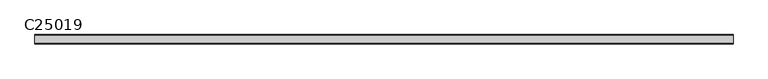
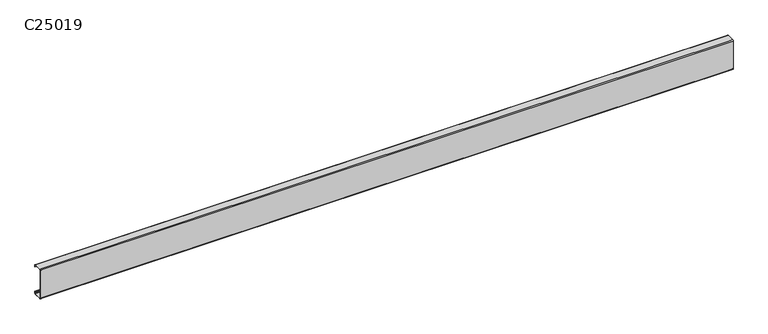
"""IFC4 building model written with IfcOpenShell, lengths in millimetres: beam geometry, C25019."""

from ifc_helpers import new_model, si_unit, point, frame, frame_2d, origin, place, context, project, spatial, polyline, circle_curve, trimmed, segment, composite_curve, outline, extrude, source, transform, mapped, element, save


def c25019_36dc65b4(model_context):
    return source(origin(), model_context, "Body", "SweptSolid", [
        extrude(outline(composite_curve([segment(polyline([(-31.1, 127.0), (31.1, 127.0)]), True, "CONTINUOUS"), segment(trimmed(circle_curve(frame_2d((31.1, 120.1)), 6.9), [point((31.1, 127.0))], [point((38.0, 120.1))], False, "CARTESIAN"), True, "CONTINUOUS"), segment(polyline([(38.0, 120.1), (38.0, 108.0), (36.1, 108.0), (36.1, 120.1)]), True, "CONTINUOUS"), segment(trimmed(circle_curve(frame_2d((31.1, 120.1)), 5.0), [point((36.1, 120.1))], [point((31.1, 125.1))], True, "CARTESIAN"), True, "CONTINUOUS"), segment(polyline([(31.1, 125.1), (-31.1, 125.1)]), True, "CONTINUOUS"), segment(trimmed(circle_curve(frame_2d((-31.1, 120.1)), 5.0), [point((-31.1, 125.1))], [point((-36.1, 120.1))], True, "CARTESIAN"), True, "CONTINUOUS"), segment(polyline([(-36.1, 120.1), (-36.1, -120.1)]), True, "CONTINUOUS"), segment(trimmed(circle_curve(frame_2d((-31.1, -120.1)), 5.0), [point((-36.1, -120.1))], [point((-31.1, -125.1))], True, "CARTESIAN"), True, "CONTINUOUS"), segment(polyline([(-31.1, -125.1), (31.1, -125.1)]), True, "CONTINUOUS"), segment(trimmed(circle_curve(frame_2d((31.1, -120.1)), 5.0), [point((31.1, -125.1))], [point((36.1, -120.1))], True, "CARTESIAN"), True, "CONTINUOUS"), segment(polyline([(36.1, -120.1), (36.1, -108.0), (38.0, -108.0), (38.0, -120.1)]), True, "CONTINUOUS"), segment(trimmed(circle_curve(frame_2d((31.1, -120.1)), 6.9), [point((38.0, -120.1))], [point((31.1, -127.0))], False, "CARTESIAN"), True, "CONTINUOUS"), segment(polyline([(31.1, -127.0), (-31.1, -127.0)]), True, "CONTINUOUS"), segment(trimmed(circle_curve(frame_2d((-31.1, -120.1)), 6.9), [point((-31.1, -127.0))], [point((-38.0, -120.1))], False, "CARTESIAN"), True, "CONTINUOUS"), segment(polyline([(-38.0, -120.1), (-38.0, 120.1)]), True, "CONTINUOUS"), segment(trimmed(circle_curve(frame_2d((-31.1, 120.1)), 6.9), [point((-38.0, 120.1))], [point((-31.1, 127.0))], False, "CARTESIAN"), True, "CONTINUOUS")], self_intersect=False)), frame((-2636.5, 0.0, 0.0), z_axis=(1.0, 0.0, 0.0), x_axis=(0.0, 1.0, 0.0)), (0.0, 0.0, 1.0), 5691.43),
    ])


if __name__ == "__main__":
    model = new_model("IFC4")
    model_context = context("Model", 3, world=origin())
    ifc_project = project(units=[si_unit("LENGTHUNIT", "METRE", prefix="MILLI")], contexts=[model_context])
    site = spatial("IfcSite", under=ifc_project)
    building = spatial("IfcBuilding", under=site)
    placement = place(None, origin())
    c25019_shape = c25019_36dc65b4(model_context)
    element("IfcBeam", 1, ObjectType="C25019", at=placement, inside=building, context=model_context, shape_type="MappedRepresentation", body=[
        mapped(c25019_shape, transform((0.0, 0.0, 0.0), x_axis=(1.0, 0.0, 0.0), y_axis=(0.0, 1.0, 0.0), z_axis=(0.0, 0.0, 1.0))),
    ])
    save(model, "model.ifc")
